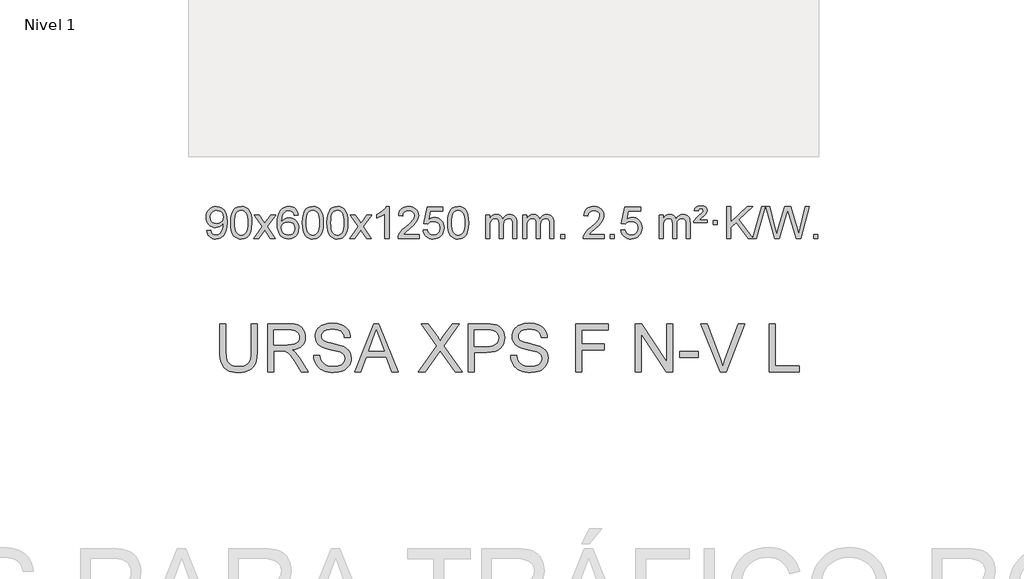
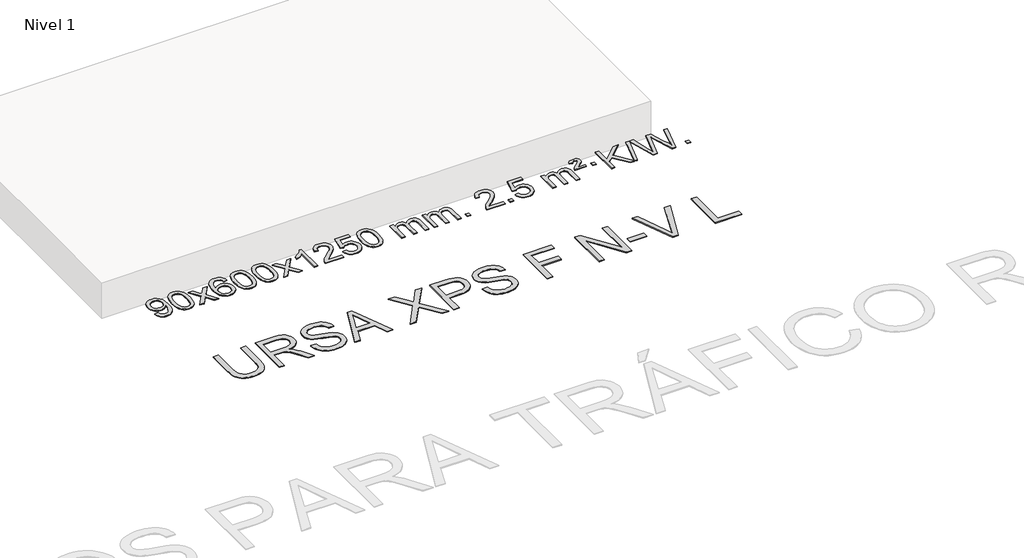
# One storey, part 2 of 4: 2 proxies.
"""IFC4 building model written with IfcOpenShell, lengths in millimetres."""

from ifc_helpers import new_model, si_unit, origin, origin_with_axes, place, context, project, spatial, polyline, outline, extrude, element, save

model = new_model("IFC4")

# Units and contexts
model_context = context("Model", 3, world=origin())
ifc_project = project(units=[si_unit("LENGTHUNIT", "METRE", prefix="MILLI")], contexts=[model_context])

# Site, building, storey
site = spatial("IfcSite", under=ifc_project)
building = spatial("IfcBuilding", under=site)
storey = spatial("IfcBuildingStorey", under=building, Name="Nivel 1", Elevation=0.0)

# Proxies
placement = place(None, origin())
element("IfcBuildingElementProxy", 1, Name="Texto de modelo 1", ObjectType="Texto de modelo 1", at=placement, inside=storey, context=model_context, shape_type="SweptSolid", body=[
    extrude(outline(polyline([(-19432.0542283, -12652.4542108), (-19381.8260732, -12646.1756914), (-19373.24216, -12674.6865461), (-19359.2626442, -12694.0984527), (-19340.2308823, -12705.2452771), (-19316.4902309, -12708.9608853), (-19295.1898634, -12706.5696523), (-19275.8270077, -12699.3959534), (-19259.7383018, -12688.2246035), (-19248.2603835, -12673.8404175), (-19231.8283211, -12630.1850874), (-19226.3836675, -12601.7845973), (-19224.568783, -12571.9125793), (-19224.8630886, -12562.1023928), (-19242.263907, -12583.3414467), (-19265.0358025, -12600.1659166), (-19291.5355689, -12611.1288), (-19320.1199999, -12614.7830945), (-19343.980213, -12612.5512771), (-19365.9213083, -12605.8558248), (-19385.9432859, -12594.6967376), (-19404.0461457, -12579.0740155), (-19419.0465341, -12559.8031303), (-19429.7610972, -12537.6995538), (-19436.1898351, -12512.7632859), (-19438.3327477, -12484.9943266), (-19436.0856018, -12456.299531), (-19429.3441643, -12430.5477913), (-19418.108435, -12407.7391076), (-19402.378414, -12387.8734799), (-19383.2638787, -12371.7786426), (-19361.8746064, -12360.2823302), (-19338.210597, -12353.3845428), (-19312.2718507, -12351.0852804), (-19274.8092008, -12356.3337302), (-19240.7065399, -12372.0790796), (-19212.1834225, -12397.5365136), (-19191.4594035, -12431.9212174), (-19178.841051, -12479.4515712), (-19174.6349336, -12544.3459552), (-19178.8287883, -12613.152151), (-19191.4103525, -12666.3356248), (-19212.2692617, -12706.2998722), (-19225.7613338, -12722.2260969), (-19241.2951511, -12735.4483889), (-19258.5580137, -12745.8349239), (-19277.237222, -12753.2538775), (-19318.8446757, -12759.1890403), (-19341.4019733, -12757.4385352), (-19361.7887672, -12752.1870197), (-19380.0050574, -12743.4344939), (-19396.0508437, -12731.1809578), (-19409.5214561, -12715.7575051), (-19420.0122243, -12697.4952298), (-19427.5231484, -12676.3941317), (-19432.0542283, -12652.4542108)]), holes=[polyline([(-19224.8630886, -12483.8171042), (-19230.2832167, -12449.7757569), (-19237.0583768, -12435.6981393), (-19246.5436009, -12423.5825589), (-19258.2729052, -12413.8398174), (-19271.7803057, -12406.8807163), (-19304.1293959, -12401.3134354), (-19321.7386807, -12402.8125546), (-19337.6802338, -12407.309912), (-19351.9540552, -12414.8055076), (-19364.5601449, -12425.2993415), (-19374.8608408, -12438.178277), (-19382.2184807, -12452.8291775), (-19386.6330646, -12469.2520429), (-19388.1045926, -12487.4468732), (-19382.5373118, -12518.4838509), (-19375.5782107, -12531.6019097), (-19365.8354692, -12543.1196818), (-19353.7137574, -12552.497607), (-19339.6177457, -12559.196125), (-19305.502822, -12564.5549394), (-19273.4112493, -12559.196125), (-19247.5736705, -12543.1196818), (-19237.6377909, -12531.3750492), (-19230.5407341, -12517.5764086), (-19224.8630886, -12483.8171042)])]), origin_with_axes(), (0.0, 0.0, 1.0), 10.0),
    extrude(outline(polyline([(-19130.6852979, -12555.2352622), (-19126.9942152, -12490.9172267), (-19115.9209671, -12439.6222139), (-19097.5759183, -12400.5654087), (-19085.7178553, -12385.3320284), (-19072.0694333, -12372.9619963), (-19056.584667, -12363.3909331), (-19039.2175711, -12356.5544594), (-18998.8363908, -12351.0852804), (-18967.8852523, -12354.3226419), (-18940.1714753, -12364.0347266), (-18916.9949096, -12379.8413897), (-18899.6554049, -12401.3624864), (-18886.5588059, -12428.4140758), (-18876.1109572, -12460.8122168), (-18869.2683521, -12501.9536866), (-18866.9874837, -12555.2352622), (-18870.6417782, -12619.1854157), (-18881.6046617, -12670.3578012), (-18899.8393459, -12709.4513946), (-18911.6698177, -12724.7307601), (-18925.3090427, -12737.1651716), (-18940.8122031, -12746.8006142), (-18958.2344813, -12753.6830732), (-18998.8363908, -12759.1890403), (-19026.5011168, -12756.7978074), (-19051.0265832, -12749.6241085), (-19072.4127898, -12737.6679436), (-19090.6597368, -12720.9293129), (-19108.1709198, -12690.6710187), (-19120.6789076, -12652.9692456), (-19128.1837003, -12607.8239934), (-19130.6852979, -12555.2352622)]), holes=[polyline([(-19080.4571428, -12555.1371604), (-19078.9856148, -12598.8016875), (-19074.5710309, -12634.1459502), (-19067.213391, -12661.1699484), (-19056.9126951, -12679.8736822), (-19044.4537582, -12692.5993335), (-19030.6213952, -12701.6890845), (-19015.415606, -12707.1429351), (-18998.8363908, -12708.9608853), (-18982.2571755, -12707.1368037), (-18967.0513864, -12701.664559), (-18953.2190234, -12692.5441512), (-18940.7600865, -12679.7755803), (-18930.4593906, -12661.0411897), (-18923.1017507, -12634.0233229), (-18918.6871668, -12598.7219797), (-18917.2156388, -12555.1371604), (-18918.6381158, -12512.6283958), (-18922.905547, -12477.9064668), (-18930.0179322, -12450.9713734), (-18939.9752716, -12431.8231156), (-18952.225742, -12418.4751305), (-18966.2175205, -12408.9408555), (-18981.9506072, -12403.2202904), (-18999.425002, -12401.3134354), (-19015.9183781, -12402.9934299), (-19030.8666498, -12408.0334132), (-19044.2698172, -12416.4333854), (-19056.1278802, -12428.1933466), (-19066.7719326, -12449.0399929), (-19074.3748271, -12477.1461774), (-19078.9365639, -12512.5118998), (-19080.4571428, -12555.1371604)])]), origin_with_axes(), (0.0, 0.0, 1.0), 10.0),
    extrude(outline(polyline([(-18841.8734062, -12752.910521), (-18734.5499655, -12604.5805005), (-18835.5948868, -12457.8201099), (-18775.1641377, -12457.8201099), (-18726.4075106, -12528.453453), (-18703.6478779, -12561.8080872), (-18683.9294029, -12534.5357686), (-18628.4037471, -12457.8201099), (-18567.972998, -12457.8201099), (-18674.1192164, -12604.5805005), (-18571.8970727, -12752.910521), (-18632.3278217, -12752.910521), (-18693.8376913, -12663.7359253), (-18705.1194058, -12647.4510157), (-18781.4426571, -12752.910521), (-18841.8734062, -12752.910521)])), origin_with_axes(), (0.0, 0.0, 1.0), 10.0),
    extrude(outline(polyline([(-18283.085181, -12457.8201099), (-18333.313336, -12464.0986293), (-18341.4067399, -12439.2052809), (-18352.3450979, -12422.2091328), (-18375.1292562, -12406.5373598), (-18402.6713549, -12401.3134354), (-18426.0195988, -12404.3545933), (-18447.9944167, -12413.4780667), (-18466.866763, -12432.6937696), (-18482.2810186, -12459.1444851), (-18492.6920791, -12496.558084), (-18496.55484, -12548.6624372), (-18476.4071694, -12525.1547778), (-18452.2618478, -12508.5878252), (-18425.4677758, -12498.765376), (-18397.3738541, -12495.4912262), (-18373.2407953, -12497.729175), (-18350.9716718, -12504.4430214), (-18330.5664838, -12515.6327654), (-18312.0252313, -12531.2984071), (-18296.617107, -12550.5079786), (-18285.611304, -12572.3295123), (-18279.0078222, -12596.7630081), (-18276.8066616, -12623.8084661), (-18280.9514654, -12659.7750625), (-18293.3858768, -12693.117434), (-18313.0798263, -12721.3952967), (-18339.0032442, -12742.1683667), (-18369.9789082, -12754.9338719), (-18404.8295959, -12759.1890403), (-18434.7721246, -12756.3686117), (-18461.814517, -12747.9073258), (-18485.9567729, -12733.8051827), (-18507.1988924, -12714.0621823), (-18524.5169374, -12687.8444588), (-18536.8869694, -12654.3181463), (-18544.3089887, -12613.4832448), (-18546.7829951, -12565.3397544), (-18544.0361429, -12511.3653343), (-18535.7955862, -12465.3003771), (-18522.061325, -12427.1448829), (-18502.8333594, -12396.8988515), (-18481.9928444, -12376.8554141), (-18457.8291287, -12362.5386731), (-18430.3422123, -12353.9486286), (-18399.5320952, -12351.0852804), (-18376.398449, -12352.8572453), (-18355.4598322, -12358.1731401), (-18336.7162445, -12367.0329649), (-18320.1676861, -12379.4367195), (-18306.2617467, -12394.967471), (-18295.446016, -12413.2082866), (-18287.7204941, -12434.1591662), (-18283.085181, -12457.8201099)]), holes=[polyline([(-18496.55484, -12623.0236512), (-18493.6485723, -12645.2805119), (-18484.929769, -12666.5318285), (-18471.3917116, -12684.8033009), (-18454.0276814, -12698.1206291), (-18433.0706704, -12706.2508212), (-18408.7536705, -12708.9608853), (-18375.6075028, -12703.3445535), (-18361.6923663, -12696.3241387), (-18349.5491948, -12686.4955581), (-18339.6991543, -12674.2573504), (-18332.6634112, -12660.0080544), (-18327.0348167, -12625.4761978), (-18332.5898348, -12592.3300301), (-18339.5336074, -12578.7091992), (-18349.2548892, -12567.056537), (-18361.4348489, -12557.7215314), (-18375.7546556, -12551.0536702), (-18410.8138097, -12545.7193813), (-18443.9109265, -12551.0536702), (-18471.5879153, -12567.056537), (-18482.5109449, -12578.555915), (-18490.3131089, -12591.7168934), (-18494.9944072, -12606.5394721), (-18496.55484, -12623.0236512)])]), origin_with_axes(), (0.0, 0.0, 1.0), 10.0),
    extrude(outline(polyline([(-18232.8570259, -12555.2352622), (-18229.1659432, -12490.9172267), (-18218.0926952, -12439.6222139), (-18199.7476463, -12400.5654087), (-18187.8895834, -12385.3320284), (-18174.2411613, -12372.9619963), (-18158.756395, -12363.3909331), (-18141.3892992, -12356.5544594), (-18101.0081188, -12351.0852804), (-18070.0569803, -12354.3226419), (-18042.3432033, -12364.0347266), (-18019.1666376, -12379.8413897), (-18001.8271329, -12401.3624864), (-17988.7305339, -12428.4140758), (-17978.2826852, -12460.8122168), (-17971.4400801, -12501.9536866), (-17969.1592118, -12555.2352622), (-17972.8135062, -12619.1854157), (-17983.7763897, -12670.3578012), (-18002.0110739, -12709.4513946), (-18013.8415458, -12724.7307601), (-18027.4807707, -12737.1651716), (-18042.9839311, -12746.8006142), (-18060.4062093, -12753.6830732), (-18101.0081188, -12759.1890403), (-18128.6728449, -12756.7978074), (-18153.1983112, -12749.6241085), (-18174.5845179, -12737.6679436), (-18192.8314648, -12720.9293129), (-18210.3426478, -12690.6710187), (-18222.8506356, -12652.9692456), (-18230.3554283, -12607.8239934), (-18232.8570259, -12555.2352622)]), holes=[polyline([(-18182.6288708, -12555.1371604), (-18181.1573428, -12598.8016875), (-18176.7427589, -12634.1459502), (-18169.385119, -12661.1699484), (-18159.0844231, -12679.8736822), (-18146.6254862, -12692.5993335), (-18132.7931232, -12701.6890845), (-18117.5873341, -12707.1429351), (-18101.0081188, -12708.9608853), (-18084.4289036, -12707.1368037), (-18069.2231144, -12701.664559), (-18055.3907514, -12692.5441512), (-18042.9318145, -12679.7755803), (-18032.6311187, -12661.0411897), (-18025.2734788, -12634.0233229), (-18020.8588948, -12598.7219797), (-18019.3873668, -12555.1371604), (-18020.8098439, -12512.6283958), (-18025.077275, -12477.9064668), (-18032.1896603, -12450.9713734), (-18042.1469996, -12431.8231156), (-18054.39747, -12418.4751305), (-18068.3892486, -12408.9408555), (-18084.1223352, -12403.2202904), (-18101.59673, -12401.3134354), (-18118.0901061, -12402.9934299), (-18133.0383779, -12408.0334132), (-18146.4415452, -12416.4333854), (-18158.2996082, -12428.1933466), (-18168.9436606, -12449.0399929), (-18176.5465552, -12477.1461774), (-18181.1082919, -12512.5118998), (-18182.6288708, -12555.1371604)])]), origin_with_axes(), (0.0, 0.0, 1.0), 10.0),
    extrude(outline(polyline([(-17925.2095761, -12555.2352622), (-17921.5184934, -12490.9172267), (-17910.4452453, -12439.6222139), (-17892.1001965, -12400.5654087), (-17880.2421335, -12385.3320284), (-17866.5937115, -12372.9619963), (-17851.1089452, -12363.3909331), (-17833.7418493, -12356.5544594), (-17793.360669, -12351.0852804), (-17762.4095305, -12354.3226419), (-17734.6957535, -12364.0347266), (-17711.5191878, -12379.8413897), (-17694.1796831, -12401.3624864), (-17681.0830841, -12428.4140758), (-17670.6352354, -12460.8122168), (-17663.7926303, -12501.9536866), (-17661.5117619, -12555.2352622), (-17665.1660564, -12619.1854157), (-17676.1289399, -12670.3578012), (-17694.3636241, -12709.4513946), (-17706.1940959, -12724.7307601), (-17719.8333209, -12737.1651716), (-17735.3364813, -12746.8006142), (-17752.7587595, -12753.6830732), (-17793.360669, -12759.1890403), (-17821.025395, -12756.7978074), (-17845.5508614, -12749.6241085), (-17866.937068, -12737.6679436), (-17885.184015, -12720.9293129), (-17902.695198, -12690.6710187), (-17915.2031858, -12652.9692456), (-17922.7079785, -12607.8239934), (-17925.2095761, -12555.2352622)]), holes=[polyline([(-17874.981421, -12555.1371604), (-17873.509893, -12598.8016875), (-17869.0953091, -12634.1459502), (-17861.7376692, -12661.1699484), (-17851.4369733, -12679.8736822), (-17838.9780364, -12692.5993335), (-17825.1456734, -12701.6890845), (-17809.9398842, -12707.1429351), (-17793.360669, -12708.9608853), (-17776.7814537, -12707.1368037), (-17761.5756646, -12701.664559), (-17747.7433016, -12692.5441512), (-17735.2843647, -12679.7755803), (-17724.9836688, -12661.0411897), (-17717.6260289, -12634.0233229), (-17713.211445, -12598.7219797), (-17711.739917, -12555.1371604), (-17713.162394, -12512.6283958), (-17717.4298252, -12477.9064668), (-17724.5422104, -12450.9713734), (-17734.4995498, -12431.8231156), (-17746.7500202, -12418.4751305), (-17760.7417988, -12408.9408555), (-17776.4748854, -12403.2202904), (-17793.9492802, -12401.3134354), (-17810.4426563, -12402.9934299), (-17825.390928, -12408.0334132), (-17838.7940954, -12416.4333854), (-17850.6521584, -12428.1933466), (-17861.2962108, -12449.0399929), (-17868.8991053, -12477.1461774), (-17873.4608421, -12512.5118998), (-17874.981421, -12555.1371604)])]), origin_with_axes(), (0.0, 0.0, 1.0), 10.0),
    extrude(outline(polyline([(-17636.3976844, -12752.910521), (-17529.0742437, -12604.5805005), (-17630.119165, -12457.8201099), (-17569.6884159, -12457.8201099), (-17520.9317888, -12528.453453), (-17498.1721561, -12561.8080872), (-17478.4536811, -12534.5357686), (-17422.9280253, -12457.8201099), (-17362.4972762, -12457.8201099), (-17468.6434946, -12604.5805005), (-17366.4213509, -12752.910521), (-17426.8520999, -12752.910521), (-17488.3619695, -12663.7359253), (-17499.643684, -12647.4510157), (-17575.9669353, -12752.910521), (-17636.3976844, -12752.910521)])), origin_with_axes(), (0.0, 0.0, 1.0), 10.0),
    extrude(outline(polyline([(-17146.6731724, -12752.910521), (-17196.9013275, -12752.910521), (-17196.9013275, -12439.7693667), (-17217.8706012, -12456.7287266), (-17244.4807322, -12473.6635612), (-17297.3576376, -12499.0228934), (-17297.3576376, -12451.5415905), (-17257.908425, -12430.0818075), (-17223.7321877, -12404.550797), (-17196.7909629, -12377.4011058), (-17179.046788, -12351.0852804), (-17146.6731724, -12351.0852804), (-17146.6731724, -12752.910521)])), origin_with_axes(), (0.0, 0.0, 1.0), 10.0),
    extrude(outline(polyline([(-16769.9620093, -12702.6823659), (-16769.9620093, -12752.910521), (-17033.6598235, -12752.910521), (-17032.5561775, -12735.2276597), (-17028.2642209, -12718.2805625), (-17015.8788604, -12691.2167104), (-16997.7545408, -12664.9621987), (-16971.5368172, -12637.4814136), (-16934.871245, -12606.7387415), (-16880.6699644, -12558.5952511), (-16848.1491961, -12523.0578504), (-16831.8888119, -12494.215902), (-16826.4686838, -12466.1587685), (-16831.5822435, -12441.0079027), (-16846.9229227, -12420.0999427), (-16870.5041586, -12406.0100622), (-16900.3393884, -12401.3134354), (-16931.6706717, -12405.8996976), (-16956.012197, -12419.6584843), (-16971.7207582, -12441.5106748), (-16977.153149, -12470.3771487), (-17027.3813041, -12464.0986293), (-17023.0617563, -12438.16908), (-17015.2044101, -12415.5136805), (-17003.8092653, -12396.1324307), (-16988.8763219, -12380.0253307), (-16970.7489366, -12367.3640587), (-16949.7704659, -12358.3202929), (-16925.9409096, -12352.8940335), (-16899.2602679, -12351.0852804), (-16872.3405029, -12353.0963686), (-16848.382188, -12359.1296333), (-16827.3853231, -12369.1850745), (-16809.3499083, -12383.2626922), (-16794.8645547, -12400.3201541), (-16784.5178736, -12419.3151277), (-16778.309865, -12440.2476133), (-16776.2405287, -12463.1176106), (-16778.4723462, -12487.1403049), (-16785.1677985, -12510.7460663), (-16797.0503869, -12534.7564978), (-16814.8436128, -12559.9932027), (-16843.2073146, -12590.1227381), (-16886.801331, -12628.8116613), (-16944.5833297, -12677.12683), (-16967.2448606, -12702.6823659), (-16769.9620093, -12702.6823659)])), origin_with_axes(), (0.0, 0.0, 1.0), 10.0),
    extrude(outline(polyline([(-16719.7338543, -12646.1756914), (-16669.5056992, -12639.897172), (-16660.2841238, -12670.0512329), (-16644.1954179, -12691.645906), (-16621.3131578, -12704.6321405), (-16591.7109199, -12708.9608853), (-16572.5810562, -12707.4556348), (-16555.7075354, -12702.9398833), (-16541.0903574, -12695.4136308), (-16528.7295224, -12684.8768773), (-16518.9009417, -12671.850789), (-16511.880527, -12656.856532), (-16506.2641952, -12620.963512), (-16511.5249077, -12587.1674194), (-16518.1007984, -12573.2492173), (-16527.3070453, -12561.3175779), (-16539.1743054, -12551.7465146), (-16553.7332353, -12544.9100409), (-16590.926105, -12539.4408619), (-16615.2921558, -12541.6236284), (-16635.0228935, -12548.1719279), (-16650.7805056, -12558.2028437), (-16663.2271798, -12570.8334588), (-16713.4553349, -12564.5549394), (-16669.5056992, -12357.3637998), (-16474.8715983, -12357.3637998), (-16474.8715983, -12407.5919548), (-16628.8915269, -12407.5919548), (-16650.3758354, -12518.250859), (-16632.6500546, -12505.5466674), (-16614.4950782, -12496.4722449), (-16595.9109061, -12491.0275913), (-16576.8975383, -12489.2127068), (-16552.4364513, -12491.4629184), (-16529.9680584, -12498.213553), (-16509.4923597, -12509.4646107), (-16491.0093551, -12525.2160914), (-16475.7085298, -12544.5053707), (-16464.7793689, -12566.3698239), (-16458.2218723, -12590.8094512), (-16456.0360401, -12617.8242523), (-16458.0042088, -12643.8457721), (-16463.9087148, -12668.0524074), (-16473.7495582, -12690.4441582), (-16487.5267389, -12711.0210244), (-16508.3979108, -12732.0945314), (-16532.7516989, -12747.1470364), (-16560.5881032, -12756.1785394), (-16591.9071237, -12759.1890403), (-16617.8274759, -12757.2545942), (-16641.2400992, -12751.4512557), (-16662.1449936, -12741.7790249), (-16680.5421591, -12728.2379018), (-16695.8491157, -12711.5023367), (-16707.4833838, -12692.24678), (-16715.4449633, -12670.4712315), (-16719.7338543, -12646.1756914)])), origin_with_axes(), (0.0, 0.0, 1.0), 10.0),
    extrude(outline(polyline([(-16412.0864044, -12555.2352622), (-16408.3953218, -12490.9172267), (-16397.3220737, -12439.6222139), (-16378.9770249, -12400.5654087), (-16367.1189619, -12385.3320284), (-16353.4705399, -12372.9619963), (-16337.9857736, -12363.3909331), (-16320.6186777, -12356.5544594), (-16280.2374974, -12351.0852804), (-16249.2863588, -12354.3226419), (-16221.5725819, -12364.0347266), (-16198.3960162, -12379.8413897), (-16181.0565115, -12401.3624864), (-16167.9599124, -12428.4140758), (-16157.5120638, -12460.8122168), (-16150.6694587, -12501.9536866), (-16148.3885903, -12555.2352622), (-16152.0428848, -12619.1854157), (-16163.0057682, -12670.3578012), (-16181.2404525, -12709.4513946), (-16193.0709243, -12724.7307601), (-16206.7101493, -12737.1651716), (-16222.2133097, -12746.8006142), (-16239.6355878, -12753.6830732), (-16280.2374974, -12759.1890403), (-16307.9022234, -12756.7978074), (-16332.4276897, -12749.6241085), (-16353.8138964, -12737.6679436), (-16372.0608434, -12720.9293129), (-16389.5720263, -12690.6710187), (-16402.0800142, -12652.9692456), (-16409.5848069, -12607.8239934), (-16412.0864044, -12555.2352622)]), holes=[polyline([(-16361.8582494, -12555.1371604), (-16360.3867214, -12598.8016875), (-16355.9721374, -12634.1459502), (-16348.6144975, -12661.1699484), (-16338.3138017, -12679.8736822), (-16325.8548648, -12692.5993335), (-16312.0225017, -12701.6890845), (-16296.8167126, -12707.1429351), (-16280.2374974, -12708.9608853), (-16263.6582821, -12707.1368037), (-16248.452493, -12701.664559), (-16234.62013, -12692.5441512), (-16222.1611931, -12679.7755803), (-16211.8604972, -12661.0411897), (-16204.5028573, -12634.0233229), (-16200.0882733, -12598.7219797), (-16198.6167454, -12555.1371604), (-16200.0392224, -12512.6283958), (-16204.3066536, -12477.9064668), (-16211.4190388, -12450.9713734), (-16221.3763781, -12431.8231156), (-16233.6268486, -12418.4751305), (-16247.6186271, -12408.9408555), (-16263.3517138, -12403.2202904), (-16280.8261086, -12401.3134354), (-16297.3194847, -12402.9934299), (-16312.2677564, -12408.0334132), (-16325.6709238, -12416.4333854), (-16337.5289867, -12428.1933466), (-16348.1730391, -12449.0399929), (-16355.7759337, -12477.1461774), (-16360.3376704, -12512.5118998), (-16361.8582494, -12555.1371604)])]), origin_with_axes(), (0.0, 0.0, 1.0), 10.0),
    extrude(outline(polyline([(-15934.9189312, -12752.910521), (-15934.9189312, -12457.8201099), (-15884.6907762, -12457.8201099), (-15884.6907762, -12506.3805333), (-15869.5830889, -12484.0746216), (-15850.1589195, -12466.6002269), (-15827.0804557, -12455.3062496), (-15801.009885, -12451.5415905), (-15773.0753788, -12455.379826), (-15750.683628, -12466.8945324), (-15733.95726, -12485.3254204), (-15723.018902, -12509.9122004), (-15704.7106414, -12484.3750586), (-15683.8272068, -12466.134243), (-15660.3685982, -12455.1897536), (-15634.3348157, -12451.5415905), (-15614.226999, -12453.0591037), (-15596.5778603, -12457.6116434), (-15581.3873995, -12465.1992096), (-15568.6556168, -12475.8218022), (-15558.5909786, -12489.6020486), (-15551.4019513, -12506.6625761), (-15547.0885349, -12527.0033848), (-15545.6507294, -12550.6244745), (-15545.6507294, -12752.910521), (-15595.8788845, -12752.910521), (-15595.8788845, -12572.2068849), (-15597.0438441, -12547.1541211), (-15600.5387231, -12530.2683375), (-15607.0870226, -12518.7045801), (-15617.4122439, -12509.6178948), (-15630.6927839, -12503.7317829), (-15646.1070395, -12501.7697456), (-15673.3180445, -12506.7974662), (-15695.5013288, -12521.880628), (-15704.1067018, -12533.4505167), (-15710.2533968, -12548.0493006), (-15715.1707528, -12586.3335535), (-15715.1707528, -12752.910521), (-15765.3989078, -12752.910521), (-15765.3989078, -12566.6150786), (-15768.3051756, -12538.2145886), (-15777.0239789, -12517.9565534), (-15792.3646581, -12505.8164475), (-15815.1365536, -12501.7697456), (-15834.4871465, -12504.4675469), (-15852.3171606, -12512.5609508), (-15867.0324404, -12525.8537535), (-15877.0388307, -12544.1497514), (-15882.7777898, -12569.5336091), (-15884.6907762, -12604.0899912), (-15884.6907762, -12752.910521), (-15934.9189312, -12752.910521)])), origin_with_axes(), (0.0, 0.0, 1.0), 10.0),
    extrude(outline(polyline([(-15470.3084968, -12752.910521), (-15470.3084968, -12457.8201099), (-15420.0803417, -12457.8201099), (-15420.0803417, -12506.3805333), (-15404.9726544, -12484.0746216), (-15385.5484851, -12466.6002269), (-15362.4700213, -12455.3062496), (-15336.3994505, -12451.5415905), (-15308.4649444, -12455.379826), (-15286.0731936, -12466.8945324), (-15269.3468256, -12485.3254204), (-15258.4084676, -12509.9122004), (-15240.1002069, -12484.3750586), (-15219.2167723, -12466.134243), (-15195.7581638, -12455.1897536), (-15169.7243813, -12451.5415905), (-15149.6165645, -12453.0591037), (-15131.9674258, -12457.6116434), (-15116.7769651, -12465.1992096), (-15104.0451824, -12475.8218022), (-15093.9805441, -12489.6020486), (-15086.7915168, -12506.6625761), (-15082.4781004, -12527.0033848), (-15081.040295, -12550.6244745), (-15081.040295, -12752.910521), (-15131.26845, -12752.910521), (-15131.26845, -12572.2068849), (-15132.4334097, -12547.1541211), (-15135.9282886, -12530.2683375), (-15142.4765881, -12518.7045801), (-15152.8018095, -12509.6178948), (-15166.0823495, -12503.7317829), (-15181.4966051, -12501.7697456), (-15208.70761, -12506.7974662), (-15230.8908943, -12521.880628), (-15239.4962673, -12533.4505167), (-15245.6429623, -12548.0493006), (-15250.5603183, -12586.3335535), (-15250.5603183, -12752.910521), (-15300.7884734, -12752.910521), (-15300.7884734, -12566.6150786), (-15303.6947412, -12538.2145886), (-15312.4135445, -12517.9565534), (-15327.7542237, -12505.8164475), (-15350.5261192, -12501.7697456), (-15369.8767121, -12504.4675469), (-15387.7067261, -12512.5609508), (-15402.4220059, -12525.8537535), (-15412.4283962, -12544.1497514), (-15418.1673553, -12569.5336091), (-15420.0803417, -12604.0899912), (-15420.0803417, -12752.910521), (-15470.3084968, -12752.910521)])), origin_with_axes(), (0.0, 0.0, 1.0), 10.0),
    extrude(outline(polyline([(-14993.1410236, -12752.910521), (-14993.1410236, -12702.6823659), (-14942.9128685, -12702.6823659), (-14942.9128685, -12752.910521), (-14993.1410236, -12752.910521)])), origin_with_axes(), (0.0, 0.0, 1.0), 10.0),
    extrude(outline(polyline([(-14446.9098371, -12702.6823659), (-14446.9098371, -12752.910521), (-14710.6076513, -12752.910521), (-14709.5040053, -12735.2276597), (-14705.2120487, -12718.2805625), (-14692.8266882, -12691.2167104), (-14674.7023685, -12664.9621987), (-14648.484645, -12637.4814136), (-14611.8190728, -12606.7387415), (-14557.6177922, -12558.5952511), (-14525.0970238, -12523.0578504), (-14508.8366397, -12494.215902), (-14503.4165116, -12466.1587685), (-14508.5300713, -12441.0079027), (-14523.8707505, -12420.0999427), (-14547.4519864, -12406.0100622), (-14577.2872162, -12401.3134354), (-14608.6184995, -12405.8996976), (-14632.9600248, -12419.6584843), (-14648.668586, -12441.5106748), (-14654.1009768, -12470.3771487), (-14704.3291319, -12464.0986293), (-14700.0095841, -12438.16908), (-14692.1522379, -12415.5136805), (-14680.7570931, -12396.1324307), (-14665.8241497, -12380.0253307), (-14647.6967644, -12367.3640587), (-14626.7182936, -12358.3202929), (-14602.8887374, -12352.8940335), (-14576.2080957, -12351.0852804), (-14549.2883307, -12353.0963686), (-14525.3300158, -12359.1296333), (-14504.3331509, -12369.1850745), (-14486.2977361, -12383.2626922), (-14471.8123825, -12400.3201541), (-14461.4657014, -12419.3151277), (-14455.2576927, -12440.2476133), (-14453.1883565, -12463.1176106), (-14455.420174, -12487.1403049), (-14462.1156263, -12510.7460663), (-14473.9982147, -12534.7564978), (-14491.7914405, -12559.9932027), (-14520.1551424, -12590.1227381), (-14563.7491588, -12628.8116613), (-14621.5311575, -12677.12683), (-14644.1926884, -12702.6823659), (-14446.9098371, -12702.6823659)])), origin_with_axes(), (0.0, 0.0, 1.0), 10.0),
    extrude(outline(polyline([(-14371.5676045, -12752.910521), (-14371.5676045, -12702.6823659), (-14321.3394494, -12702.6823659), (-14321.3394494, -12752.910521), (-14371.5676045, -12752.910521)])), origin_with_axes(), (0.0, 0.0, 1.0), 10.0),
    extrude(outline(polyline([(-14239.7186975, -12646.1756914), (-14189.4905424, -12639.897172), (-14180.268967, -12670.0512329), (-14164.1802611, -12691.645906), (-14141.298001, -12704.6321405), (-14111.6957631, -12708.9608853), (-14092.5658994, -12707.4556348), (-14075.6923785, -12702.9398833), (-14061.0752006, -12695.4136308), (-14048.7143656, -12684.8768773), (-14038.8857849, -12671.850789), (-14031.8653702, -12656.856532), (-14026.2490384, -12620.963512), (-14031.5097509, -12587.1674194), (-14038.0856416, -12573.2492173), (-14047.2918885, -12561.3175779), (-14059.1591485, -12551.7465146), (-14073.7180785, -12544.9100409), (-14110.9109482, -12539.4408619), (-14135.276999, -12541.6236284), (-14155.0077367, -12548.1719279), (-14170.7653488, -12558.2028437), (-14183.212023, -12570.8334588), (-14233.4401781, -12564.5549394), (-14189.4905424, -12357.3637998), (-13994.8564415, -12357.3637998), (-13994.8564415, -12407.5919548), (-14148.8763701, -12407.5919548), (-14170.3606786, -12518.250859), (-14152.6348978, -12505.5466674), (-14134.4799214, -12496.4722449), (-14115.8957492, -12491.0275913), (-14096.8823815, -12489.2127068), (-14072.4212945, -12491.4629184), (-14049.9529016, -12498.213553), (-14029.4772029, -12509.4646107), (-14010.9941983, -12525.2160914), (-13995.693373, -12544.5053707), (-13984.7642121, -12566.3698239), (-13978.2067155, -12590.8094512), (-13976.0208833, -12617.8242523), (-13977.989052, -12643.8457721), (-13983.893558, -12668.0524074), (-13993.7344014, -12690.4441582), (-14007.5115821, -12711.0210244), (-14028.382754, -12732.0945314), (-14052.736542, -12747.1470364), (-14080.5729463, -12756.1785394), (-14111.8919669, -12759.1890403), (-14137.8123191, -12757.2545942), (-14161.2249424, -12751.4512557), (-14182.1298368, -12741.7790249), (-14200.5270022, -12728.2379018), (-14215.8339589, -12711.5023367), (-14227.468227, -12692.24678), (-14235.4298065, -12670.4712315), (-14239.7186975, -12646.1756914)])), origin_with_axes(), (0.0, 0.0, 1.0), 10.0),
    extrude(outline(polyline([(-13762.5512242, -12752.910521), (-13762.5512242, -12457.8201099), (-13712.3230692, -12457.8201099), (-13712.3230692, -12506.3805333), (-13697.2153819, -12484.0746216), (-13677.7912126, -12466.6002269), (-13654.7127487, -12455.3062496), (-13628.642178, -12451.5415905), (-13600.7076718, -12455.379826), (-13578.3159211, -12466.8945324), (-13561.589553, -12485.3254204), (-13550.651195, -12509.9122004), (-13532.3429344, -12484.3750586), (-13511.4594998, -12466.134243), (-13488.0008912, -12455.1897536), (-13461.9671087, -12451.5415905), (-13441.859292, -12453.0591037), (-13424.2101533, -12457.6116434), (-13409.0196926, -12465.1992096), (-13396.2879098, -12475.8218022), (-13386.2232716, -12489.6020486), (-13379.0342443, -12506.6625761), (-13374.7208279, -12527.0033848), (-13373.2830224, -12550.6244745), (-13373.2830224, -12752.910521), (-13423.5111775, -12752.910521), (-13423.5111775, -12572.2068849), (-13424.6761371, -12547.1541211), (-13428.1710161, -12530.2683375), (-13434.7193156, -12518.7045801), (-13445.0445369, -12509.6178948), (-13458.325077, -12503.7317829), (-13473.7393326, -12501.7697456), (-13500.9503375, -12506.7974662), (-13523.1336218, -12521.880628), (-13531.7389948, -12533.4505167), (-13537.8856898, -12548.0493006), (-13542.8030458, -12586.3335535), (-13542.8030458, -12752.910521), (-13593.0312009, -12752.910521), (-13593.0312009, -12566.6150786), (-13595.9374686, -12538.2145886), (-13604.6562719, -12517.9565534), (-13619.9969511, -12505.8164475), (-13642.7688466, -12501.7697456), (-13662.1194396, -12504.4675469), (-13679.9494536, -12512.5609508), (-13694.6647334, -12525.8537535), (-13704.6711237, -12544.1497514), (-13710.4100828, -12569.5336091), (-13712.3230692, -12604.0899912), (-13712.3230692, -12752.910521), (-13762.5512242, -12752.910521)])), origin_with_axes(), (0.0, 0.0, 1.0), 10.0),
    extrude(outline(polyline([(-13329.3333867, -12551.9979007), (-13325.507414, -12536.1789749), (-13317.1687554, -12520.3109981), (-13295.6599214, -12495.1723951), (-13263.7032388, -12467.4340927), (-13219.5573994, -12430.057282), (-13212.4204887, -12418.5303128), (-13210.0415184, -12406.709038), (-13211.9299793, -12394.6179831), (-13217.5953621, -12384.8323221), (-13226.9640902, -12378.3575989), (-13239.9625874, -12376.1993579), (-13252.3969988, -12377.8180387), (-13261.2506921, -12382.674081), (-13267.6763643, -12392.140911), (-13272.8267123, -12407.5919548), (-13323.0548673, -12401.3134354), (-13312.2146112, -12376.101256), (-13295.586345, -12358.5410221), (-13271.8211681, -12348.2403263), (-13239.5701799, -12344.806761), (-13203.7875245, -12348.9393021), (-13179.041329, -12361.3369253), (-13164.6203547, -12379.6697114), (-13159.8133633, -12401.607741), (-13163.9091162, -12424.5145266), (-13176.1963749, -12446.1459879), (-13196.7241902, -12465.9625647), (-13233.1935586, -12494.0196982), (-13258.7981455, -12520.6053037), (-13159.8133633, -12520.6053037), (-13159.8133633, -12551.9979007), (-13329.3333867, -12551.9979007)])), origin_with_axes(), (0.0, 0.0, 1.0), 10.0),
    extrude(outline(polyline([(-13084.4711307, -12577.1119782), (-13084.4711307, -12526.8838231), (-13034.2429757, -12526.8838231), (-13034.2429757, -12577.1119782), (-13084.4711307, -12577.1119782)])), origin_with_axes(), (0.0, 0.0, 1.0), 10.0),
    extrude(outline(polyline([(-12643.6013477, -12752.910521), (-12797.0326652, -12550.2320671), (-12864.7229523, -12614.7830945), (-12864.7229523, -12752.910521), (-12914.9511074, -12752.910521), (-12914.9511074, -12351.0852804), (-12864.7229523, -12351.0852804), (-12864.7229523, -12547.7795205), (-12658.709035, -12351.0852804), (-12588.4680994, -12351.0852804), (-12761.421688, -12516.2888217), (-12586.7680782, -12746.8660012), (-12475.4547504, -12351.0852804), (-12430.1316886, -12351.0852804), (-12543.1450376, -12752.910521), (-12582.18958, -12752.910521), (-12588.4680994, -12752.910521), (-12643.6013477, -12752.910521)])), origin_with_axes(), (0.0, 0.0, 1.0), 10.0),
    extrude(outline(polyline([(-12315.6468117, -12752.910521), (-12425.2265954, -12351.0852804), (-12373.4288105, -12351.0852804), (-12309.8588017, -12615.175502), (-12290.2384286, -12696.6981521), (-12269.2446294, -12624.593281), (-12189.5859147, -12351.0852804), (-12114.9303952, -12351.0852804), (-12057.0502946, -12549.3491503), (-12032.2550481, -12622.9255493), (-12013.9835757, -12696.6981521), (-11994.9518138, -12617.5299467), (-11930.7931939, -12351.0852804), (-11878.9954089, -12351.0852804), (-11988.6732944, -12752.910521), (-12042.3350148, -12752.910521), (-12138.6710466, -12442.9086264), (-12152.1110022, -12399.6457037), (-12167.2186894, -12451.7377942), (-12255.0198589, -12752.910521), (-12315.6468117, -12752.910521)])), origin_with_axes(), (0.0, 0.0, 1.0), 10.0),
    extrude(outline(polyline([(-11822.4887345, -12752.910521), (-11822.4887345, -12702.6823659), (-11772.2605794, -12702.6823659), (-11772.2605794, -12752.910521), (-11822.4887345, -12752.910521)])), origin_with_axes(), (0.0, 0.0, 1.0), 10.0),
])
element("IfcBuildingElementProxy", 2, Name="Texto de modelo 3", ObjectType="Texto de modelo 3", at=placement, inside=storey, context=model_context, shape_type="SweptSolid", body=[
    extrude(outline(polyline([(-18872.7237179, -13823.3522814), (-18797.3814853, -13823.3522814), (-18797.3814853, -14171.0743432), (-18802.495045, -14252.5050228), (-18808.8869947, -14286.1984151), (-18817.8357242, -14315.2105089), (-18830.1137858, -14340.6403518), (-18846.4937316, -14363.5869913), (-18866.9755617, -14384.0504273), (-18891.559276, -14402.0306598), (-18920.2724657, -14416.6769617), (-18953.142722, -14427.1386059), (-18990.1700448, -14433.4155925), (-19031.3544342, -14435.5079213), (-19071.5225495, -14433.6869055), (-19107.8554951, -14428.2238578), (-19140.3532708, -14419.1187784), (-19169.0158768, -14406.3716673), (-19193.8479115, -14390.1710639), (-19214.8539734, -14370.7055079), (-19232.0340626, -14347.9749991), (-19245.388179, -14321.9795376), (-19255.3991678, -14291.8270096), (-19262.5498741, -14256.6253012), (-19266.8402978, -14216.3744124), (-19268.2704391, -14171.0743432), (-19268.2704391, -13823.3522814), (-19192.9282065, -13823.3522814), (-19192.9282065, -14168.4255928), (-19189.2125983, -14236.134274), (-19178.0657739, -14283.2783517), (-19169.3009853, -14300.6561775), (-19157.8690523, -14315.9278788), (-19143.7699749, -14329.0934557), (-19127.0037529, -14340.1529082), (-19086.7574627, -14355.1624936), (-19038.4177685, -14360.1656887), (-18996.8930883, -14357.6916823), (-18961.7879489, -14350.269663), (-18933.1023503, -14337.899631), (-18910.8362926, -14320.581586), (-18894.1620411, -14296.227798), (-18882.2518615, -14262.7505364), (-18875.1057538, -14220.1498014), (-18872.7237179, -14168.4255928), (-18872.7237179, -13823.3522814)])), origin_with_axes(), (0.0, 0.0, 1.0), 10.0),
    extrude(outline(polyline([(-18665.5325782, -14426.0901423), (-18665.5325782, -13823.3522814), (-18405.8078896, -13823.3522814), (-18336.002281, -13827.4173774), (-18285.2161716, -13839.6126655), (-18265.6172583, -13849.3063561), (-18248.0968783, -13862.1270436), (-18232.6550315, -13878.0747281), (-18219.291718, -13897.1494096), (-18208.5081771, -13918.3256169), (-18200.8056478, -13940.5778791), (-18196.1841302, -13963.9061961), (-18194.6436244, -13988.310568), (-18197.1958057, -14019.2678379), (-18204.8523497, -14047.686722), (-18217.6132564, -14073.5672204), (-18235.4785258, -14096.909333), (-18258.6780841, -14116.9680988), (-18287.4418576, -14132.9985567), (-18321.7698463, -14145.0007068), (-18361.6620502, -14152.974549), (-18336.8300155, -14169.198145), (-18318.8405859, -14185.2010118), (-18287.9752865, -14221.8052703), (-18257.7721747, -14262.7505364), (-18157.2668136, -14426.0901423), (-18244.8227285, -14426.0901423), (-18323.2551699, -14301.1574167), (-18379.9089971, -14218.4575442), (-18400.9702414, -14194.3428794), (-18419.713829, -14179.3884763), (-18455.5455353, -14165.0410785), (-18499.2499164, -14162.3923281), (-18590.1903456, -14162.3923281), (-18590.1903456, -14426.0901423), (-18665.5325782, -14426.0901423)]), holes=[polyline([(-18590.1903456, -14087.0500955), (-18421.553239, -14087.0500955), (-18373.1215743, -14084.382951), (-18335.5424285, -14076.3815176), (-18307.2523031, -14062.5123664), (-18286.6876996, -14042.2420685), (-18274.1613176, -14017.7227335), (-18269.985857, -13991.1064712), (-18271.9770183, -13971.8386517), (-18277.9505022, -13954.3550598), (-18287.9063087, -13938.6556957), (-18301.8444378, -13924.7405592), (-18320.0867862, -13913.3454144), (-18342.9552507, -13905.2060253), (-18370.4498313, -13900.3223918), (-18402.570528, -13898.694514), (-18590.1903456, -13898.694514), (-18590.1903456, -14087.0500955)])]), origin_with_axes(), (0.0, 0.0, 1.0), 10.0),
    extrude(outline(polyline([(-18091.0480545, -14218.8990026), (-18015.7058219, -14218.8990026), (-18007.060595, -14260.7087913), (-17991.4256102, -14294.3148116), (-17967.0350339, -14320.9862562), (-17932.1230326, -14341.9923182), (-17889.4487212, -14355.6223461), (-17841.7712146, -14360.1656887), (-17799.7958789, -14356.7259921), (-17763.0444676, -14346.4069021), (-17733.2644201, -14330.0729415), (-17712.2031759, -14308.588633), (-17699.6767939, -14283.9221452), (-17695.5013333, -14258.0416469), (-17698.6283303, -14232.8233361), (-17708.0093211, -14211.0263279), (-17727.0656085, -14192.429893), (-17759.2184949, -14176.8133023), (-17868.9209058, -14148.0449303), (-17940.9338064, -14129.007037), (-17987.0110263, -14110.8888488), (-18024.5165957, -14085.5417793), (-18051.0960698, -14054.8236327), (-18066.9333897, -14019.3965966), (-18072.2124964, -13979.9228585), (-18070.58002, -13957.4866553), (-18065.6825909, -13935.7954132), (-18057.5202092, -13914.8491321), (-18046.0928747, -13894.647812), (-18031.5293462, -13876.014589), (-18013.9583824, -13859.7725989), (-17993.3799833, -13845.9218418), (-17969.7941489, -13834.4623176), (-17916.7823534, -13819.0664561), (-17858.1051752, -13813.9345023), (-17794.5351664, -13819.3055794), (-17738.9114087, -13835.4188108), (-17714.5760148, -13847.4209609), (-17693.2204649, -13861.9431027), (-17674.8447593, -13878.9852361), (-17659.4488978, -13898.5473612), (-17647.1524421, -13920.0592608), (-17638.0749539, -13942.950718), (-17632.2164331, -13967.2217326), (-17629.5768798, -13992.8723047), (-17704.9191124, -13992.8723047), (-17709.9590957, -13968.8312163), (-17718.7514754, -13947.9171249), (-17731.2962514, -13930.1300305), (-17747.5934238, -13915.4699329), (-17767.9464952, -13904.0104088), (-17792.6589682, -13895.8250344), (-17821.7308429, -13890.9138098), (-17855.1621192, -13889.2767349), (-17889.6602533, -13890.8954157), (-17919.1367982, -13895.751458), (-17943.5917538, -13903.8448619), (-17963.0251202, -13915.1756274), (-17977.8323705, -13928.7964582), (-17988.4089779, -13943.7600584), (-17994.7549423, -13960.0664278), (-17996.8702638, -13977.7155665), (-17995.3711446, -13992.8998959), (-17990.8737872, -14006.6678796), (-17983.3781916, -14019.0195175), (-17972.8843577, -14029.9548098), (-17956.3664561, -14040.310688), (-17930.357199, -14050.7769308), (-17849.8646185, -14072.0405101), (-17766.796864, -14092.2372316), (-17716.5441834, -14109.8587792), (-17673.5939605, -14137.1924114), (-17656.9886869, -14153.2596576), (-17643.629972, -14170.9271904), (-17633.3614658, -14190.1030394), (-17626.0268185, -14210.6952341), (-17620.1591007, -14256.1286605), (-17621.8467593, -14279.6961008), (-17626.9097353, -14302.5737624), (-17635.3480286, -14324.7616452), (-17647.1616391, -14346.2597493), (-17662.1436334, -14366.2357416), (-17680.0870777, -14383.8572892), (-17700.9919721, -14399.124392), (-17724.8583165, -14412.03705), (-17750.9917337, -14422.3055562), (-17778.6978465, -14429.6402035), (-17838.8281586, -14435.5079213), (-17877.3683961, -14433.9260288), (-17912.643681, -14429.180351), (-17944.6540131, -14421.2708881), (-17973.3993925, -14410.1976401), (-17999.0545631, -14395.9422127), (-18021.7942689, -14378.4862121), (-18041.6185099, -14357.829638), (-18058.5272861, -14333.9724907), (-18072.148117, -14307.6873221), (-18082.108522, -14279.7466846), (-18088.4085012, -14250.1505781), (-18091.0480545, -14218.8990026)])), origin_with_axes(), (0.0, 0.0, 1.0), 10.0),
    extrude(outline(polyline([(-17577.3376365, -14426.0901423), (-17336.7428116, -13823.3522814), (-17272.5841916, -13823.3522814), (-17031.9893668, -14426.0901423), (-17111.5990306, -14426.0901423), (-17180.6136929, -14237.7345607), (-17428.8604632, -14237.7345607), (-17497.7279727, -14426.0901423), (-17577.3376365, -14426.0901423)]), holes=[polyline([(-17401.1957372, -14162.3923281), (-17208.1312661, -14162.3923281), (-17262.4306486, -14014.2094605), (-17304.6635016, -13898.694514), (-17342.1874651, -14001.2600142), (-17401.1957372, -14162.3923281)])]), origin_with_axes(), (0.0, 0.0, 1.0), 10.0),
    extrude(outline(polyline([(-16781.9767629, -14426.0901423), (-16549.6224947, -14097.645097), (-16744.3056466, -13823.3522814), (-16653.9538286, -13823.3522814), (-16544.324994, -13977.7155665), (-16518.1685841, -14016.8214226), (-16507.3896417, -14037.9010609), (-16464.126719, -13976.6854969), (-16355.6751069, -13823.3522814), (-16263.9989137, -13823.3522814), (-16458.6820655, -14098.5280137), (-16226.3277974, -14426.0901423), (-16316.6796154, -14426.0901423), (-16471.4843589, -14207.7153899), (-16503.7108217, -14162.3923281), (-16539.1746461, -14212.1299739), (-16690.3005697, -14426.0901423), (-16781.9767629, -14426.0901423)])), origin_with_axes(), (0.0, 0.0, 1.0), 10.0),
    extrude(outline(polyline([(-16150.9855648, -14426.0901423), (-16150.9855648, -13823.3522814), (-15927.6076173, -13823.3522814), (-15875.5891032, -13824.7870211), (-15837.5501049, -13829.0912405), (-15797.3957851, -13839.8150006), (-15764.3415878, -13857.2710013), (-15737.7253255, -13882.2501888), (-15716.8848104, -13915.5435093), (-15703.4203294, -13954.8149123), (-15698.9321691, -13997.7283471), (-15701.962597, -14034.7280787), (-15711.0538808, -14068.7663603), (-15726.2060205, -14099.8431919), (-15747.419016, -14127.9585734), (-15776.5414745, -14151.2638978), (-15815.4220029, -14167.910558), (-15864.0606011, -14177.8985542), (-15922.4572693, -14181.2278863), (-16075.6433321, -14181.2278863), (-16075.6433321, -14426.0901423), (-16150.9855648, -14426.0901423)]), holes=[polyline([(-16075.6433321, -14105.8856537), (-15918.0426854, -14105.8856537), (-15881.8063089, -14104.1566083), (-15851.2353151, -14098.9694721), (-15826.329704, -14090.3242453), (-15807.0894757, -14078.2209276), (-15792.7328808, -14062.981416), (-15782.4781702, -14044.9276071), (-15776.3253438, -14024.0595009), (-15774.2744017, -14000.3770974), (-15779.1120499, -13966.5319539), (-15793.6249946, -13937.9843111), (-15816.010614, -13916.5000025), (-15844.4662864, -13903.8448619), (-15873.528964, -13899.982101), (-15919.808519, -13898.694514), (-16075.6433321, -13898.694514), (-16075.6433321, -14105.8856537)])]), origin_with_axes(), (0.0, 0.0, 1.0), 10.0),
    extrude(outline(polyline([(-15623.5899365, -14218.8990026), (-15548.2477039, -14218.8990026), (-15539.602477, -14260.7087913), (-15523.9674922, -14294.3148116), (-15499.5769159, -14320.9862562), (-15464.6649146, -14341.9923182), (-15421.9906031, -14355.6223461), (-15374.3130965, -14360.1656887), (-15332.3377609, -14356.7259921), (-15295.5863496, -14346.4069021), (-15265.8063021, -14330.0729415), (-15244.7450578, -14308.588633), (-15232.2186759, -14283.9221452), (-15228.0432153, -14258.0416469), (-15231.1702122, -14232.8233361), (-15240.5512031, -14211.0263279), (-15259.6074904, -14192.429893), (-15291.7603768, -14176.8133023), (-15401.4627878, -14148.0449303), (-15473.4756883, -14129.007037), (-15519.5529082, -14110.8888488), (-15557.0584776, -14085.5417793), (-15583.6379518, -14054.8236327), (-15599.4752717, -14019.3965966), (-15604.7543783, -13979.9228585), (-15603.121902, -13957.4866553), (-15598.2244729, -13935.7954132), (-15590.0620911, -13914.8491321), (-15578.6347567, -13894.647812), (-15564.0712282, -13876.014589), (-15546.5002644, -13859.7725989), (-15525.9218653, -13845.9218418), (-15502.3360309, -13834.4623176), (-15449.3242354, -13819.0664561), (-15390.6470571, -13813.9345023), (-15327.0770484, -13819.3055794), (-15271.4532907, -13835.4188108), (-15247.1178967, -13847.4209609), (-15225.7623469, -13861.9431027), (-15207.3866412, -13878.9852361), (-15191.9907797, -13898.5473612), (-15179.694324, -13920.0592608), (-15170.6168358, -13942.950718), (-15164.758315, -13967.2217326), (-15162.1187617, -13992.8723047), (-15237.4609943, -13992.8723047), (-15242.5009777, -13968.8312163), (-15251.2933573, -13947.9171249), (-15263.8381334, -13930.1300305), (-15280.1353058, -13915.4699329), (-15300.4883772, -13904.0104088), (-15325.2008502, -13895.8250344), (-15354.2727248, -13890.9138098), (-15387.7040012, -13889.2767349), (-15422.2021353, -13890.8954157), (-15451.6786801, -13895.751458), (-15476.1336357, -13903.8448619), (-15495.5670021, -13915.1756274), (-15510.3742525, -13928.7964582), (-15520.9508598, -13943.7600584), (-15527.2968242, -13960.0664278), (-15529.4121457, -13977.7155665), (-15527.9130266, -13992.8998959), (-15523.4156692, -14006.6678796), (-15515.9200735, -14019.0195175), (-15505.4262396, -14029.9548098), (-15488.908338, -14040.310688), (-15462.899081, -14050.7769308), (-15382.4065004, -14072.0405101), (-15299.3387459, -14092.2372316), (-15249.0860654, -14109.8587792), (-15206.1358424, -14137.1924114), (-15189.5305689, -14153.2596576), (-15176.1718539, -14170.9271904), (-15165.9033477, -14190.1030394), (-15158.5687005, -14210.6952341), (-15152.7009826, -14256.1286605), (-15154.3886413, -14279.6961008), (-15159.4516173, -14302.5737624), (-15167.8899105, -14324.7616452), (-15179.7035211, -14346.2597493), (-15194.6855153, -14366.2357416), (-15212.6289597, -14383.8572892), (-15233.533854, -14399.124392), (-15257.4001985, -14412.03705), (-15283.5336157, -14422.3055562), (-15311.2397285, -14429.6402035), (-15371.3700406, -14435.5079213), (-15409.9102781, -14433.9260288), (-15445.1855629, -14429.180351), (-15477.195895, -14421.2708881), (-15505.9412744, -14410.1976401), (-15531.596445, -14395.9422127), (-15554.3361509, -14378.4862121), (-15574.1603919, -14357.829638), (-15591.0691681, -14333.9724907), (-15604.689999, -14307.6873221), (-15614.650404, -14279.7466846), (-15620.9503832, -14250.1505781), (-15623.5899365, -14218.8990026)])), origin_with_axes(), (0.0, 0.0, 1.0), 10.0),
    extrude(outline(polyline([(-14804.2431568, -14426.0901423), (-14804.2431568, -13823.3522814), (-14399.2786565, -13823.3522814), (-14399.2786565, -13898.694514), (-14728.9009242, -13898.694514), (-14728.9009242, -14077.6323164), (-14446.3675519, -14077.6323164), (-14446.3675519, -14152.974549), (-14728.9009242, -14152.974549), (-14728.9009242, -14426.0901423), (-14804.2431568, -14426.0901423)])), origin_with_axes(), (0.0, 0.0, 1.0), 10.0),
    extrude(outline(polyline([(-14060.2386098, -14426.0901423), (-14060.2386098, -13823.3522814), (-13979.5988764, -13823.3522814), (-13664.6918885, -14300.8631111), (-13664.6918885, -13823.3522814), (-13589.3496559, -13823.3522814), (-13589.3496559, -14426.0901423), (-13669.9893893, -14426.0901423), (-13984.8963772, -13948.4321597), (-13984.8963772, -14426.0901423), (-14060.2386098, -14426.0901423)])), origin_with_axes(), (0.0, 0.0, 1.0), 10.0),
    extrude(outline(polyline([(-13504.5896442, -14247.1523398), (-13504.5896442, -14171.8101072), (-13269.1451673, -14171.8101072), (-13269.1451673, -14247.1523398), (-13504.5896442, -14247.1523398)])), origin_with_axes(), (0.0, 0.0, 1.0), 10.0),
    extrude(outline(polyline([(-12996.9124909, -14426.0901423), (-13236.7715518, -13823.3522814), (-13156.1318184, -13823.3522814), (-12995.5881157, -14257.6001885), (-12963.0673473, -14355.4567992), (-12930.9880374, -14257.6001885), (-12770.0028763, -13823.3522814), (-12689.3631429, -13823.3522814), (-12919.0686607, -14426.0901423), (-12996.9124909, -14426.0901423)])), origin_with_axes(), (0.0, 0.0, 1.0), 10.0),
    extrude(outline(polyline([(-12383.8739341, -14426.0901423), (-12383.8739341, -13823.3522814), (-12308.5317015, -13823.3522814), (-12308.5317015, -14350.7479096), (-12007.1627711, -14350.7479096), (-12007.1627711, -14426.0901423), (-12383.8739341, -14426.0901423)])), origin_with_axes(), (0.0, 0.0, 1.0), 10.0),
])

save(model, "model.ifc")
